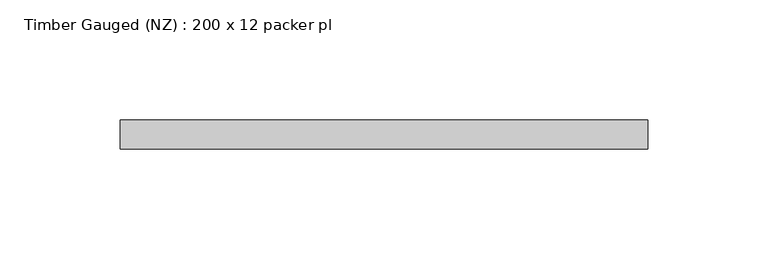
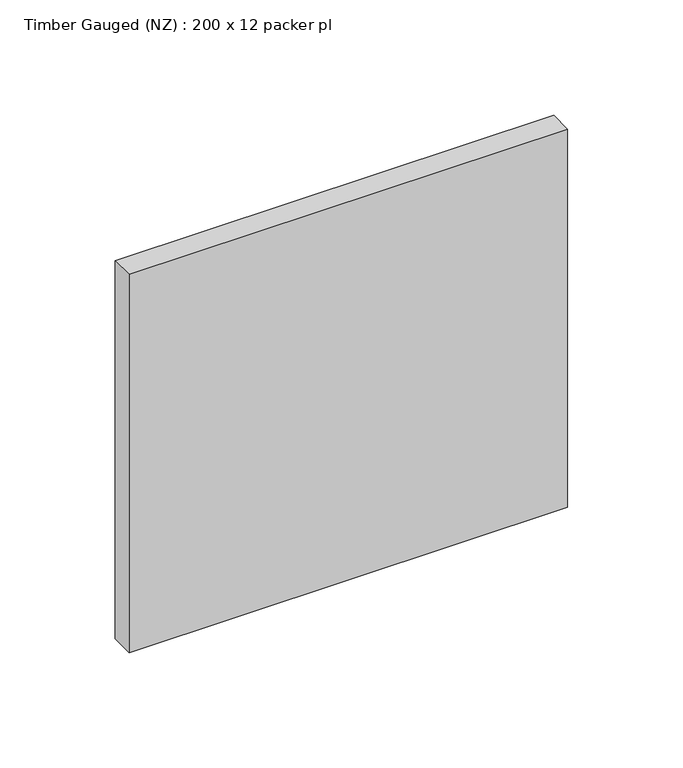
"""IFC4 building model written with IfcOpenShell, lengths in millimetres: beam geometry, Timber Gauged (NZ) : 200 x 12 packer pl."""

from ifc_helpers import new_model, si_unit, frame, origin, place, context, project, spatial, polyline, outline, extrude, source, transform, mapped, element, save


def timber_gauged_nz_200_x_12_packer_pl_16487ba6(model_context):
    return source(origin(), model_context, "Body", "SweptSolid", [
        extrude(outline(polyline([(100.6390421, 6.0), (100.6390421, -6.0), (-118.8089616, -6.0), (-118.8089616, 6.0), (100.6390421, 6.0)])), frame((0.0, 0.0, -100.0), z_axis=(0.0, 0.0, 1.0), x_axis=(1.0, 0.0, 0.0)), (0.0, 0.0, 1.0), 200.0),
    ])


if __name__ == "__main__":
    model = new_model("IFC4")
    model_context = context("Model", 3, world=origin())
    ifc_project = project(units=[si_unit("LENGTHUNIT", "METRE", prefix="MILLI")], contexts=[model_context])
    site = spatial("IfcSite", under=ifc_project)
    building = spatial("IfcBuilding", under=site)
    placement = place(None, origin())
    timber_gauged_nz_200_x_12_packer_pl_shape = timber_gauged_nz_200_x_12_packer_pl_16487ba6(model_context)
    element("IfcBeam", 1, ObjectType="Timber Gauged (NZ) : 200 x 12 packer pl", at=placement, inside=building, context=model_context, shape_type="MappedRepresentation", body=[
        mapped(timber_gauged_nz_200_x_12_packer_pl_shape, transform((0.0, 0.0, 0.0), x_axis=(1.0, 0.0, 0.0), y_axis=(0.0, 1.0, 0.0), z_axis=(0.0, 0.0, 1.0))),
    ])
    save(model, "model.ifc")
